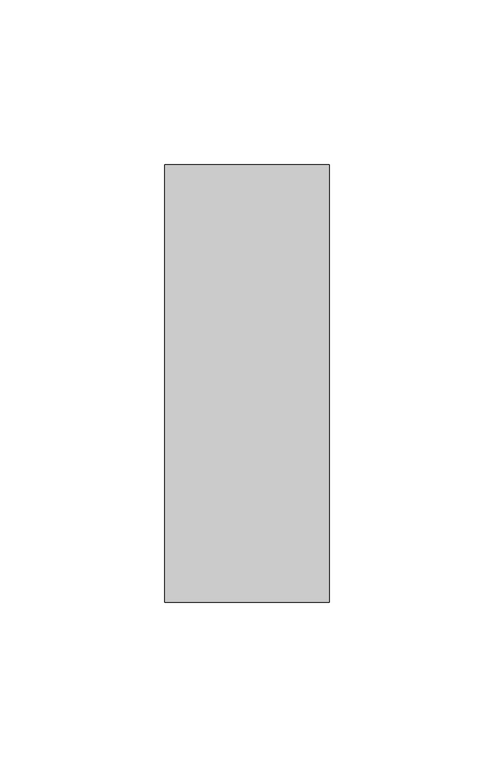
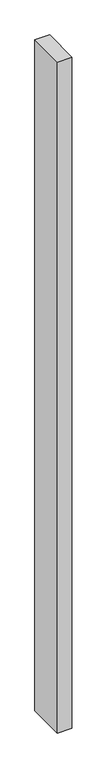
"""IFC4 building model written with IfcOpenShell, lengths in millimetres: member geometry."""

from ifc_helpers import new_model, si_unit, frame, origin, place, context, project, spatial, polyline, outline, extrude, source, transform, mapped, element, save


def member_02ee9cd2(model_context):
    return source(origin(), model_context, "Body", "SweptSolid", [
        extrude(outline(polyline([(0.0, -22.0), (-50.0, -22.0), (-50.0, 111.0), (0.0, 111.0), (0.0, -22.0)])), frame((0.0, 0.0, -2425.0), z_axis=(0.0, 0.0, 1.0), x_axis=(1.0, 0.0, 0.0)), (0.0, 0.0, 1.0), 2425.0),
    ])


if __name__ == "__main__":
    model = new_model("IFC4")
    model_context = context("Model", 3, world=origin())
    ifc_project = project(units=[si_unit("LENGTHUNIT", "METRE", prefix="MILLI")], contexts=[model_context])
    site = spatial("IfcSite", under=ifc_project)
    building = spatial("IfcBuilding", under=site)
    placement = place(None, origin())
    member_shape = member_02ee9cd2(model_context)
    element("IfcMember", 1, at=placement, inside=building, context=model_context, shape_type="MappedRepresentation", body=[
        mapped(member_shape, transform((0.0, 0.0, 0.0), x_axis=(1.0, 0.0, 0.0), y_axis=(0.0, 1.0, 0.0), z_axis=(0.0, 0.0, 1.0))),
    ])
    save(model, "model.ifc")
